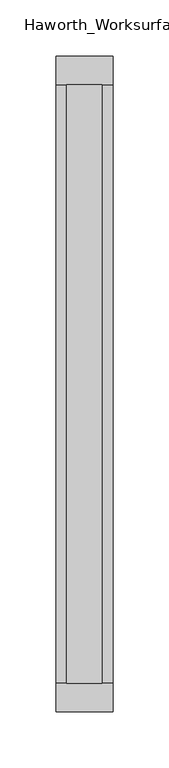
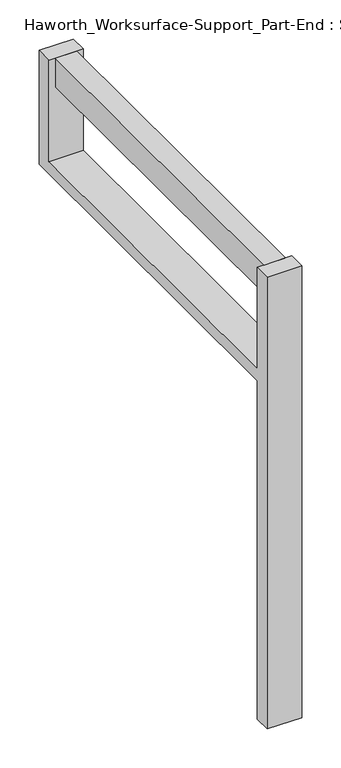
"""IFC4 building model written with IfcOpenShell, lengths in millimetres: furniture geometry, Haworth_Worksurface-Support_Part-End : Support."""

from ifc_helpers import new_model, si_unit, frame, origin, place, context, project, spatial, polyline, outline, extrude, source, transform, mapped, element, save


def haworth_worksurface_support_part_end_support_d781c14d(model_context):
    return source(origin(), model_context, "Body", "SweptSolid", [
        extrude(outline(polyline([(231.775, 155.8465234), (231.775, -377.5534766), (200.025, -377.5534766), (200.025, 155.8465234), (231.775, 155.8465234)])), frame((0.0, 0.0, 661.9875), z_axis=(0.0, 0.0, 1.0), x_axis=(1.0, 0.0, 0.0)), (0.0, 0.0, 1.0), 44.45),
        extrude(outline(polyline([(-377.5534766, 528.6375), (-377.5534766, 0.0), (-402.9534766, 0.0), (-402.9534766, 706.4375), (-377.5534766, 706.4375), (-377.5534766, 547.6875), (155.8465234, 547.6875), (155.8465234, 706.4375), (181.2465234, 706.4375), (181.2465234, 528.6375), (-377.5534766, 528.6375)])), frame((190.5, 0.0, 0.0), z_axis=(1.0, 0.0, 0.0), x_axis=(0.0, 1.0, 0.0)), (0.0, 0.0, 1.0), 50.8),
    ])


if __name__ == "__main__":
    model = new_model("IFC4")
    model_context = context("Model", 3, world=origin())
    ifc_project = project(units=[si_unit("LENGTHUNIT", "METRE", prefix="MILLI")], contexts=[model_context])
    site = spatial("IfcSite", under=ifc_project)
    building = spatial("IfcBuilding", under=site)
    placement = place(None, origin())
    haworth_worksurface_support_part_end_support_shape = haworth_worksurface_support_part_end_support_d781c14d(model_context)
    element("IfcFurniture", 1, ObjectType="Haworth_Worksurface-Support_Part-End : Support", at=placement, inside=building, context=model_context, shape_type="MappedRepresentation", body=[
        mapped(haworth_worksurface_support_part_end_support_shape, transform((0.0, 0.0, 0.0), x_axis=(1.0, 0.0, 0.0), y_axis=(0.0, 1.0, 0.0), z_axis=(0.0, 0.0, 1.0))),
    ])
    save(model, "model.ifc")
